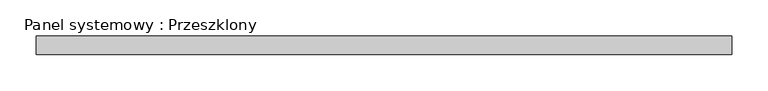
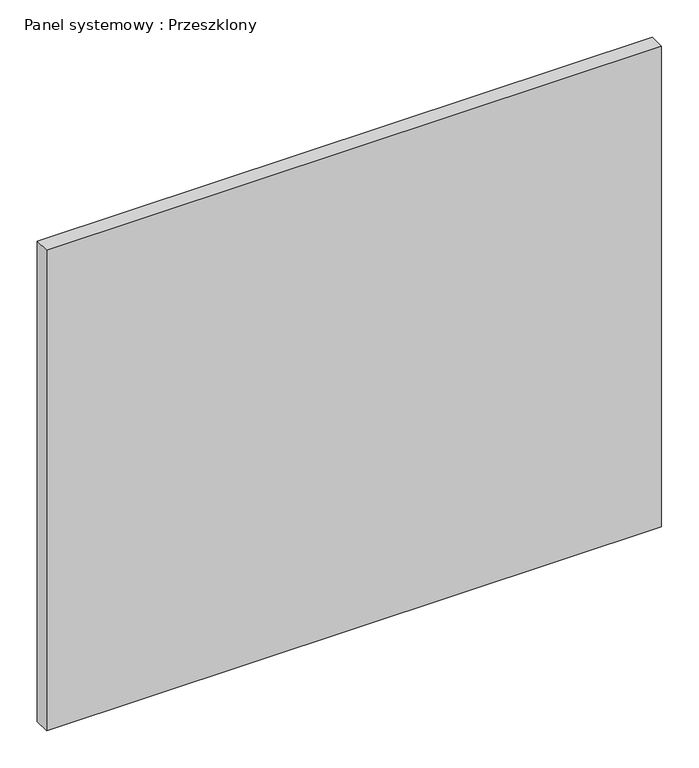
"""IFC4 building model written with IfcOpenShell, lengths in millimetres: plate geometry, Panel systemowy : Przeszklony."""

import ifcopenshell
import ifcopenshell.guid

model = None  # the IFC model being written
_history = None  # IfcOwnerHistory: only IFC2X3 demands one
_inside = {}  # id of a spatial element -> (the spatial element, [elements in it])
_under = {}  # id of a project, library or spatial element -> (it, [spatial elements below it])
_declared = {}  # id of a project -> (the project, [libraries it declares])
_typed = {}  # id of a type object -> (the type object, [elements of that type])
_made_of = {}  # id of a material, layer set ... -> (it, [elements and type objects made of it])


def new_model(schema):
    """Start an empty IFC model of exactly this schema.

    Asked for "IFC4X3", IfcOpenShell would pick the latest addendum, in which some entities
    have other attributes; the version numbers below select the first issue.
    IFC2X3 requires an IfcOwnerHistory on every rooted entity: one is made here for all.
    """
    global model, _history
    if schema == "IFC4X3":
        model = ifcopenshell.file(schema_version=(4, 3, 0, 0))
    else:
        model = ifcopenshell.file(schema=schema)
    _inside.clear()
    _under.clear()
    _declared.clear()
    _typed.clear()
    _made_of.clear()
    _history = None
    if model.schema == "IFC2X3":
        org = make("IfcOrganization", Name="unknown")
        user = make(
            "IfcPersonAndOrganization",
            ThePerson=make("IfcPerson", FamilyName="unknown"),
            TheOrganization=org,
        )
        app = make(
            "IfcApplication",
            ApplicationDeveloper=org,
            Version="unknown",
            ApplicationFullName="unknown",
            ApplicationIdentifier="unknown",
        )
        _history = make(
            "IfcOwnerHistory",
            OwningUser=user,
            OwningApplication=app,
            ChangeAction="ADDED",
            CreationDate=0,
        )
    return model


def make(cls, **values):
    """One entity of the class cls with the attributes given. An attribute that is None is left unset."""
    return model.create_entity(
        cls, **{name: value for name, value in values.items() if value is not None}
    )


def rooted(cls, **values):
    """An entity with a GlobalId (a new one), such as an element, a storey or a relation."""
    return make(cls, GlobalId=ifcopenshell.guid.new(), OwnerHistory=_history, **values)


def si_unit(unit_type, name, prefix=None):
    """IfcSIUnit, for example si_unit("LENGTHUNIT", "METRE", prefix="MILLI")."""
    return make("IfcSIUnit", UnitType=unit_type, Prefix=prefix, Name=name)


def assignment(units):
    """IfcUnitAssignment: the units of a project."""
    return None if units is None else make("IfcUnitAssignment", Units=units)


def point(xyz):
    """IfcCartesianPoint."""
    return None if xyz is None else make("IfcCartesianPoint", Coordinates=xyz)


def direction(xyz):
    """IfcDirection."""
    return None if xyz is None else make("IfcDirection", DirectionRatios=xyz)


def frame(location, z_axis=None, x_axis=None):
    """IfcAxis2Placement3D, a coordinate frame: its origin and axes. An axis left out is left unset."""
    return make(
        "IfcAxis2Placement3D",
        Location=point(location),
        Axis=direction(z_axis),
        RefDirection=direction(x_axis),
    )


def origin():
    """The frame at (0, 0, 0) with its axes left unset."""
    return frame((0.0, 0.0, 0.0))


def origin_with_axes():
    """The frame at (0, 0, 0) with the z axis (0, 0, 1) and the x axis (1, 0, 0) written out."""
    return frame((0.0, 0.0, 0.0), z_axis=(0.0, 0.0, 1.0), x_axis=(1.0, 0.0, 0.0))


def place(relative_to, where):
    """IfcLocalPlacement: puts the frame where relative to a parent placement (None: the world)."""
    return make(
        "IfcLocalPlacement", PlacementRelTo=relative_to, RelativePlacement=where
    )


def context(
    kind, dimensions, precision=None, world=None, true_north=None, identifier=None
):
    """IfcGeometricRepresentationContext, for example the 3D "Model" context."""
    return make(
        "IfcGeometricRepresentationContext",
        ContextIdentifier=identifier,
        ContextType=kind,
        CoordinateSpaceDimension=dimensions,
        Precision=precision,
        WorldCoordinateSystem=world,
        TrueNorth=true_north,
    )


def project(units=None, contexts=None):
    """IfcProject with its units and contexts."""
    return rooted(
        "IfcProject",
        Name="project",
        RepresentationContexts=contexts,
        UnitsInContext=assignment(units),
    )


def spatial(cls, under=None, at=None, **own):
    """A site, building, storey or space (cls), placed at a placement, below another one or the project."""
    s = rooted(cls, ObjectPlacement=at, **own)
    if under is not None:
        _under.setdefault(under.id(), (under, []))[1].append(s)
    return s


def polyline(points):
    """IfcPolyline through the points."""
    return make("IfcPolyline", Points=[point(p) for p in points])


def outline(outer, holes=None, kind="AREA"):
    """IfcArbitraryClosedProfileDef: a profile drawn as a closed curve; with holes, ...WithVoids."""
    if holes is None:
        return make("IfcArbitraryClosedProfileDef", ProfileType=kind, OuterCurve=outer)
    return make(
        "IfcArbitraryProfileDefWithVoids",
        ProfileType=kind,
        OuterCurve=outer,
        InnerCurves=holes,
    )


def extrude(swept, where, along, depth):
    """IfcExtrudedAreaSolid: the profile swept, set in the frame where, extruded along a direction by depth."""
    return make(
        "IfcExtrudedAreaSolid",
        SweptArea=swept,
        Position=where,
        ExtrudedDirection=direction(along),
        Depth=depth,
    )


def shape(context_of_items, identifier, shape_type, items):
    """IfcShapeRepresentation: the items that make up one representation, for example the "Body"."""
    return make(
        "IfcShapeRepresentation",
        ContextOfItems=context_of_items,
        RepresentationIdentifier=identifier,
        RepresentationType=shape_type,
        Items=items,
    )


def source(mapping_origin, context_of_items, identifier, shape_type, items):
    """IfcRepresentationMap: a shape defined once, which mapped items show again and again."""
    return make(
        "IfcRepresentationMap",
        MappingOrigin=mapping_origin,
        MappedRepresentation=shape(context_of_items, identifier, shape_type, items),
    )


def transform(
    local_origin,
    x_axis=None,
    y_axis=None,
    z_axis=None,
    scale=None,
    scale2=None,
    scale3=None,
    uniform=True,
):
    """IfcCartesianTransformationOperator3D, or its non-uniform kind. x_axis, y_axis, z_axis: its Axis1, 2, 3."""
    if uniform:
        return make(
            "IfcCartesianTransformationOperator3D",
            Axis1=direction(x_axis),
            Axis2=direction(y_axis),
            LocalOrigin=point(local_origin),
            Scale=scale,
            Axis3=direction(z_axis),
        )
    return make(
        "IfcCartesianTransformationOperator3DnonUniform",
        Axis1=direction(x_axis),
        Axis2=direction(y_axis),
        LocalOrigin=point(local_origin),
        Scale=scale,
        Axis3=direction(z_axis),
        Scale2=scale2,
        Scale3=scale3,
    )


def mapped(mapping_source, mapping_target):
    """IfcMappedItem: shows the shape of a source again, moved by a transform."""
    return make(
        "IfcMappedItem", MappingSource=mapping_source, MappingTarget=mapping_target
    )


def made_of(thing, what):
    """Note that an element or type object is made of a material, layer set ...; save() writes the relation."""
    if what is not None:
        _made_of.setdefault(what.id(), (what, []))[1].append(thing)
    return thing


def element(
    cls,
    number,
    at=None,
    inside=None,
    cuts=None,
    type_object=None,
    material=None,
    context=None,
    identifier="Body",
    shape_type=None,
    held_by="IfcProductDefinitionShape",
    body=None,
    shapes=None,
    **own,
):
    """One element of the class cls, such as IfcWall. Its Tag is "e" and its number.

    at: its placement. inside: the storey or other place that contains it. cuts: it is an
    opening in that element (IfcRelVoidsElement). A single representation is given by context,
    identifier, shape_type and body (its items); several are given by shapes. held_by: the class
    of the entity that holds the representations. save() writes the other relations.
    """
    e = rooted(cls, Tag="e%d" % number, ObjectPlacement=at, **own)
    if body is not None:
        shapes = [shape(context, identifier, shape_type, body)]
    if shapes is not None:
        e.Representation = make(held_by, Representations=shapes)
    if inside is not None:
        _inside.setdefault(inside.id(), (inside, []))[1].append(e)
    if cuts is not None:
        rooted(
            "IfcRelVoidsElement", RelatingBuildingElement=cuts, RelatedOpeningElement=e
        )
    if type_object is not None:
        _typed.setdefault(type_object.id(), (type_object, []))[1].append(e)
    return made_of(e, material)


def aggregate(whole, parts):
    """IfcRelAggregates: a whole, such as a stair, and the parts it consists of."""
    return rooted("IfcRelAggregates", RelatingObject=whole, RelatedObjects=parts)


def save(model, path):
    """Write the relations noted so far, then the file.

    IfcRelAggregates (storeys below a building ...), IfcRelContainedInSpatialStructure (elements
    in a storey), IfcRelDefinesByType, IfcRelAssociatesMaterial and IfcRelDeclares: one each for
    every whole, place, type object, material and project.
    """
    for whole, parts in _under.values():
        aggregate(whole, parts)
    for where, things in _inside.values():
        rooted(
            "IfcRelContainedInSpatialStructure",
            RelatedElements=things,
            RelatingStructure=where,
        )
    for kind, things in _typed.values():
        rooted("IfcRelDefinesByType", RelatedObjects=things, RelatingType=kind)
    for what, things in _made_of.values():
        rooted("IfcRelAssociatesMaterial", RelatedObjects=things, RelatingMaterial=what)
    for by, libraries in _declared.values():
        rooted("IfcRelDeclares", RelatingContext=by, RelatedDefinitions=libraries)
    model.write(path)


def panel_systemowy_przeszklony_618f344c(model_context):
    return source(origin(), model_context, "Body", "SweptSolid", [
        extrude(outline(polyline([(477.5, -12.5), (-477.5, -12.5), (-477.5, 12.5), (477.5, 12.5), (477.5, -12.5)])), origin_with_axes(), (0.0, 0.0, 1.0), 788.3333333),
    ])


if __name__ == "__main__":
    model = new_model("IFC4")
    model_context = context("Model", 3, world=origin())
    ifc_project = project(units=[si_unit("LENGTHUNIT", "METRE", prefix="MILLI")], contexts=[model_context])
    site = spatial("IfcSite", under=ifc_project)
    building = spatial("IfcBuilding", under=site)
    placement = place(None, origin())
    panel_systemowy_przeszklony_shape = panel_systemowy_przeszklony_618f344c(model_context)
    element("IfcPlate", 1, ObjectType="Panel systemowy : Przeszklony", at=placement, inside=building, context=model_context, shape_type="MappedRepresentation", body=[
        mapped(panel_systemowy_przeszklony_shape, transform((0.0, 0.0, 0.0), x_axis=(1.0, 0.0, 0.0), y_axis=(0.0, 1.0, 0.0), z_axis=(0.0, 0.0, 1.0))),
    ])
    save(model, "model.ifc")
